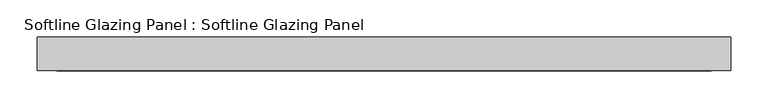
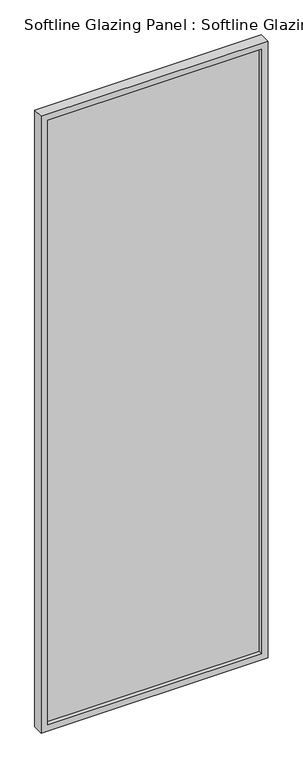
"""IFC4 building model written with IfcOpenShell, lengths in millimetres: plate geometry, Softline Glazing Panel : Softline Glazing Panel."""

from ifc_helpers import new_model, si_unit, frame, origin, place, context, project, spatial, polyline, outline, extrude, faceted_brep, source, transform, mapped, element, save


def softline_glazing_panel_softline_glazing_panel_bf70bf5b(model_context):
    return source(origin(), model_context, "Body", "SolidModel", [
        extrude(outline(polyline([(449.0, 4.0), (449.0, -4.0), (-449.0, -4.0), (-449.0, 4.0), (449.0, 4.0)])), frame((0.0, 0.0, 16.0), z_axis=(0.0, 0.0, 1.0), x_axis=(1.0, 0.0, 0.0)), (0.0, 0.0, 1.0), 2638.0),
        faceted_brep([(439.0, 4.0, 26.0), (439.0, 22.5, 26.0), (-439.0, 22.5, 26.0), (-439.0, 4.0, 26.0), (449.0, -4.0, 16.0), (449.0, 4.0, 16.0), (-449.0, 4.0, 16.0), (-449.0, -4.0, 16.0), (439.0, -22.5, 26.0), (439.0, -4.0, 26.0), (-439.0, -4.0, 26.0), (-439.0, -22.5, 26.0), (465.0, 22.5, 0.0), (465.0, -22.5, 0.0), (-465.0, -22.5, 0.0), (-465.0, 22.5, 0.0), (-439.0, 22.5, 2644.0), (-439.0, 4.0, 2644.0), (-449.0, 4.0, 2654.0), (-449.0, -4.0, 2654.0), (-439.0, -4.0, 2644.0), (-439.0, -22.5, 2644.0), (-465.0, -22.5, 2670.0), (-465.0, 22.5, 2670.0), (439.0, 22.5, 2644.0), (439.0, 4.0, 2644.0), (449.0, 4.0, 2654.0), (449.0, -4.0, 2654.0), (439.0, -4.0, 2644.0), (439.0, -22.5, 2644.0), (465.0, -22.5, 2670.0), (465.0, 22.5, 2670.0)], [[[0, 1, 2, 3]], [[4, 5, 6, 7]], [[8, 9, 10, 11]], [[12, 13, 14, 15]], [[3, 2, 16, 17]], [[7, 6, 18, 19]], [[11, 10, 20, 21]], [[15, 14, 22, 23]], [[17, 16, 24, 25]], [[19, 18, 26, 27]], [[21, 20, 28, 29]], [[23, 22, 30, 31]], [[15, 23, 31, 12], [1, 24, 16, 2]], [[25, 24, 1, 0]], [[5, 26, 18, 6], [3, 17, 25, 0]], [[27, 26, 5, 4]], [[7, 19, 27, 4], [9, 28, 20, 10]], [[29, 28, 9, 8]], [[13, 30, 22, 14], [11, 21, 29, 8]], [[31, 30, 13, 12]]]),
    ])


if __name__ == "__main__":
    model = new_model("IFC4")
    model_context = context("Model", 3, world=origin())
    ifc_project = project(units=[si_unit("LENGTHUNIT", "METRE", prefix="MILLI")], contexts=[model_context])
    site = spatial("IfcSite", under=ifc_project)
    building = spatial("IfcBuilding", under=site)
    placement = place(None, origin())
    softline_glazing_panel_softline_glazing_panel_shape = softline_glazing_panel_softline_glazing_panel_bf70bf5b(model_context)
    element("IfcPlate", 1, ObjectType="Softline Glazing Panel : Softline Glazing Panel", at=placement, inside=building, context=model_context, shape_type="MappedRepresentation", body=[
        mapped(softline_glazing_panel_softline_glazing_panel_shape, transform((0.0, 0.0, 0.0), x_axis=(1.0, 0.0, 0.0), y_axis=(0.0, 1.0, 0.0), z_axis=(0.0, 0.0, 1.0))),
    ])
    save(model, "model.ifc")
